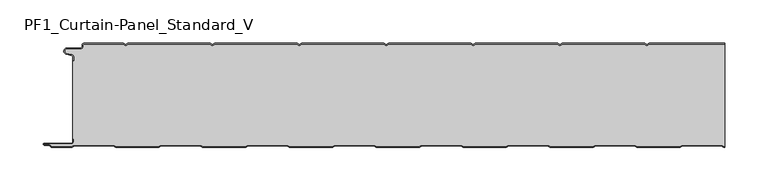
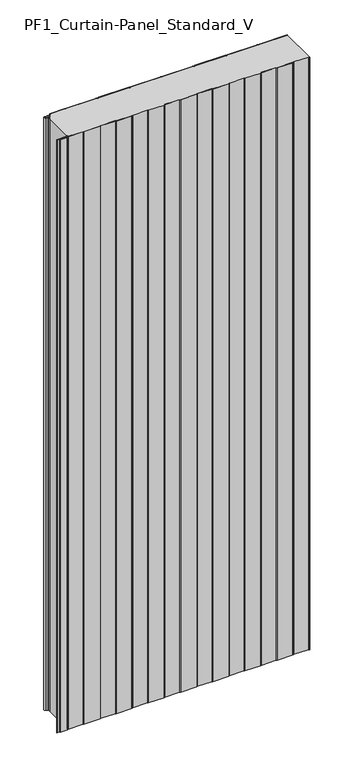
"""IFC4 building model written with IfcOpenShell, lengths in millimetres: plate geometry, PF1_Curtain-Panel_Standard_V."""

from ifc_helpers import new_model, si_unit, point, frame_2d, origin, origin_with_axes, place, context, project, spatial, polyline, circle_curve, trimmed, segment, composite_curve, outline, extrude, source, transform, mapped, element, save


def pf1_curtain_panel_standard_v_caaafc21(model_context):
    return source(origin(), model_context, "Body", "SweptSolid", [
        extrude(outline(composite_curve([segment(trimmed(circle_curve(frame_2d((-377.0119739, -15.878557)), 2.0), [point((-375.0119739, -15.878557))], [point((-376.5620718, -13.9298169))], True, "CARTESIAN"), True, "CONTINUOUS"), segment(polyline([(-376.5620718, -13.9298169), (-382.7217978, -12.507732)]), True, "CONTINUOUS"), segment(trimmed(circle_curve(frame_2d((-381.9119739, -9.0)), 3.6), [point((-382.7217978, -12.507732))], [point((-381.9119739, -5.4))], False, "CARTESIAN"), True, "CONTINUOUS"), segment(polyline([(-381.9119739, -5.4), (-366.4119739, -5.4)]), True, "CONTINUOUS"), segment(trimmed(circle_curve(frame_2d((-366.4119739, -3.4)), 2.0), [point((-366.4119739, -5.4))], [point((-364.4119739, -3.4))], True, "CARTESIAN"), True, "CONTINUOUS"), segment(polyline([(-364.4119739, -3.4), (-364.4119739, -2.0)]), True, "CONTINUOUS"), segment(trimmed(circle_curve(frame_2d((-362.4119739, -2.0)), 2.0), [point((-364.4119739, -2.0))], [point((-362.4119739, 0.0))], False, "CARTESIAN"), True, "CONTINUOUS"), segment(polyline([(-362.4119739, 0.0), (-317.1119734, 0.0), (-314.4119739, -1.5588455), (-311.7119745, 0.0), (-217.1119734, 0.0), (-214.4119739, -1.5588455), (-211.7119745, 0.0), (-117.1119734, 0.0), (-114.4119739, -1.5588455), (-111.7119745, 0.0), (-17.1119734, 0.0), (-14.4119739, -1.5588455), (-11.7119745, 0.0), (82.8880266, 0.0), (85.5880261, -1.5588455), (88.2880255, 0.0), (182.8880266, 0.0), (185.5880261, -1.5588455), (188.2880255, 0.0), (282.8880266, 0.0), (285.5880261, -1.5588455), (288.2880255, 0.0), (375.0119739, 0.0), (375.0119739, -0.8), (288.5023849, -0.8), (285.5880261, -2.482606), (282.6736672, -0.8), (188.5023849, -0.8), (185.5880261, -2.482606), (182.6736672, -0.8), (88.5023849, -0.8), (85.5880261, -2.482606), (82.6736672, -0.8), (-11.4976151, -0.8), (-14.4119739, -2.482606), (-17.3263328, -0.8), (-111.4976151, -0.8), (-114.4119739, -2.482606), (-117.3263328, -0.8), (-211.4976151, -0.8), (-214.4119739, -2.482606), (-217.3263328, -0.8), (-311.4976151, -0.8), (-314.4119739, -2.482606), (-317.3263328, -0.8), (-362.4119739, -0.8)]), True, "CONTINUOUS"), segment(trimmed(circle_curve(frame_2d((-362.4119739, -2.0)), 1.2), [point((-362.4119739, -0.8))], [point((-363.6119739, -2.0))], True, "CARTESIAN"), True, "CONTINUOUS"), segment(polyline([(-363.6119739, -2.0), (-363.6119739, -3.4)]), True, "CONTINUOUS"), segment(trimmed(circle_curve(frame_2d((-366.4119739, -3.4)), 2.8), [point((-363.6119739, -3.4))], [point((-366.4119739, -6.2))], False, "CARTESIAN"), True, "CONTINUOUS"), segment(polyline([(-366.4119739, -6.2), (-381.9119739, -6.2)]), True, "CONTINUOUS"), segment(trimmed(circle_curve(frame_2d((-381.9119739, -9.0)), 2.8), [point((-381.9119739, -6.2))], [point((-382.541837, -11.7282362))], True, "CARTESIAN"), True, "CONTINUOUS"), segment(polyline([(-382.541837, -11.7282362), (-376.3821109, -13.150321)]), True, "CONTINUOUS"), segment(trimmed(circle_curve(frame_2d((-377.0119739, -15.878557)), 2.8), [point((-376.3821109, -13.150321))], [point((-374.2119739, -15.878557))], False, "CARTESIAN"), True, "CONTINUOUS"), segment(polyline([(-374.2119739, -15.878557), (-374.2119739, -20.0), (-375.0119739, -20.0), (-375.0119739, -15.878557)]), True, "CONTINUOUS")], self_intersect=False)), origin_with_axes(), (0.0, 0.0, 1.0), 1945.7507136),
        extrude(outline(composite_curve([segment(polyline([(-374.2119739, -110.0), (-375.0119739, -110.0), (-375.0119739, -20.0), (-374.2119739, -20.0), (-374.2119739, -15.878557)]), True, "CONTINUOUS"), segment(trimmed(circle_curve(frame_2d((-377.0119739, -15.878557)), 2.8), [point((-374.2119739, -15.878557))], [point((-376.3821109, -13.1503208))], True, "CARTESIAN"), True, "CONTINUOUS"), segment(polyline([(-376.3821109, -13.1503208), (-382.5418369, -11.7282362)]), True, "CONTINUOUS"), segment(trimmed(circle_curve(frame_2d((-381.9119739, -9.0)), 2.8), [point((-382.5418369, -11.7282362))], [point((-381.9119739, -6.2))], False, "CARTESIAN"), True, "CONTINUOUS"), segment(polyline([(-381.9119739, -6.2), (-366.4119739, -6.2)]), True, "CONTINUOUS"), segment(trimmed(circle_curve(frame_2d((-366.4119739, -3.4)), 2.8), [point((-366.4119739, -6.2))], [point((-363.6119739, -3.4))], True, "CARTESIAN"), True, "CONTINUOUS"), segment(polyline([(-363.6119739, -3.4), (-363.6119739, -2.0)]), True, "CONTINUOUS"), segment(trimmed(circle_curve(frame_2d((-362.4119739, -2.0)), 1.2), [point((-363.6119739, -2.0))], [point((-362.4119739, -0.8))], False, "CARTESIAN"), True, "CONTINUOUS"), segment(polyline([(-362.4119739, -0.8), (-317.3263328, -0.8), (-314.4119739, -2.482606), (-311.4976151, -0.8), (-217.3263328, -0.8), (-214.4119739, -2.482606), (-211.4976151, -0.8), (-117.3263328, -0.8), (-114.4119739, -2.482606), (-111.4976151, -0.8), (-17.3263328, -0.8), (-14.4119739, -2.482606), (-11.4976151, -0.8), (82.6736672, -0.8), (85.5880261, -2.482606), (88.5023849, -0.8), (182.6736672, -0.8), (185.5880261, -2.482606), (188.5023849, -0.8), (282.6736672, -0.8), (285.5880261, -2.482606), (288.5023849, -0.8), (375.0119739, -0.8), (375.0119739, -119.2), (374.2032822, -119.2), (371.6052046, -117.7), (326.3764885, -117.7), (323.7784109, -119.2), (274.2032822, -119.2), (271.6052046, -117.7), (226.3764885, -117.7), (223.7784109, -119.2), (174.2032822, -119.2), (171.6052046, -117.7), (126.3764885, -117.7), (123.7784109, -119.2), (74.2032822, -119.2), (71.6052046, -117.7), (26.3764885, -117.7), (23.7784109, -119.2), (-25.7967178, -119.2), (-28.3947954, -117.7), (-73.6235115, -117.7), (-76.2215891, -119.2), (-125.7967178, -119.2), (-128.3947954, -117.7), (-173.6235115, -117.7), (-176.2215891, -119.2), (-225.7967178, -119.2), (-228.3947954, -117.7), (-273.6235115, -117.7), (-276.2215891, -119.2), (-325.7967178, -119.2), (-328.3947954, -117.7), (-373.6235115, -117.7), (-376.2215891, -119.2), (-399.4119739, -119.2)]), True, "CONTINUOUS"), segment(trimmed(circle_curve(frame_2d((-399.4119739, -118.4)), 0.8), [point((-399.4119739, -119.2))], [point((-400.2119739, -118.4))], False, "CARTESIAN"), True, "CONTINUOUS"), segment(trimmed(circle_curve(frame_2d((-401.9119739, -118.6133333)), 1.7133333), [point((-400.2119739, -118.4))], [point((-401.9119739, -116.9))], True, "CARTESIAN"), True, "CONTINUOUS"), segment(polyline([(-401.9119739, -116.9), (-407.8820051, -116.9)]), True, "CONTINUOUS"), segment(trimmed(circle_curve(frame_2d((-407.8820051, -116.6)), 0.3), [point((-407.8820051, -116.9))], [point((-407.8820051, -116.3))], False, "CARTESIAN"), True, "CONTINUOUS"), segment(polyline([(-407.8820051, -116.3), (-377.0119739, -116.3)]), True, "CONTINUOUS"), segment(trimmed(circle_curve(frame_2d((-377.0119739, -113.5)), 2.8), [point((-377.0119739, -116.3))], [point((-374.2119739, -113.5))], True, "CARTESIAN"), True, "CONTINUOUS"), segment(polyline([(-374.2119739, -113.5), (-374.2119739, -110.0)]), True, "CONTINUOUS")], self_intersect=False)), origin_with_axes(), (0.0, 0.0, 1.0), 1945.7507136),
        extrude(outline(composite_curve([segment(polyline([(-375.0119739, -110.0), (-374.2119739, -110.0), (-374.2119739, -113.5)]), True, "CONTINUOUS"), segment(trimmed(circle_curve(frame_2d((-377.0119739, -113.5)), 2.8), [point((-374.2119739, -113.5))], [point((-377.0119739, -116.3))], False, "CARTESIAN"), True, "CONTINUOUS"), segment(polyline([(-377.0119739, -116.3), (-407.8820051, -116.3)]), True, "CONTINUOUS"), segment(trimmed(circle_curve(frame_2d((-407.8820051, -116.6)), 0.3), [point((-407.8820051, -116.3))], [point((-407.8820051, -116.9))], True, "CARTESIAN"), True, "CONTINUOUS"), segment(polyline([(-407.8820051, -116.9), (-401.9119739, -116.9)]), True, "CONTINUOUS"), segment(trimmed(circle_curve(frame_2d((-401.9119739, -118.6133333)), 1.7133333), [point((-401.9119739, -116.9))], [point((-400.2119739, -118.4))], False, "CARTESIAN"), True, "CONTINUOUS"), segment(trimmed(circle_curve(frame_2d((-399.4119739, -118.4)), 0.8), [point((-400.2119739, -118.4))], [point((-399.4119739, -119.2))], True, "CARTESIAN"), True, "CONTINUOUS"), segment(polyline([(-399.4119739, -119.2), (-376.2215891, -119.2), (-373.6235115, -117.7), (-328.3947954, -117.7), (-325.7967178, -119.2), (-276.2215891, -119.2), (-273.6235115, -117.7), (-228.3947954, -117.7), (-225.7967178, -119.2), (-176.2215891, -119.2), (-173.6235115, -117.7), (-128.3947954, -117.7), (-125.7967178, -119.2), (-76.2215891, -119.2), (-73.6235115, -117.7), (-28.3947954, -117.7), (-25.7967178, -119.2), (23.7784109, -119.2), (26.3764885, -117.7), (71.6052046, -117.7), (74.2032822, -119.2), (123.7784109, -119.2), (126.3764885, -117.7), (171.6052046, -117.7), (174.2032822, -119.2), (223.7784109, -119.2), (226.3764885, -117.7), (271.6052046, -117.7), (274.2032822, -119.2), (323.7784109, -119.2), (326.3764885, -117.7), (371.6052046, -117.7), (374.2032822, -119.2), (375.0119739, -119.2), (375.0119739, -120.0), (373.988923, -120.0), (371.3908454, -118.5), (326.5908477, -118.5), (323.9927701, -120.0), (273.988923, -120.0), (271.3908454, -118.5), (226.5908477, -118.5), (223.9927701, -120.0), (173.988923, -120.0), (171.3908454, -118.5), (126.5908477, -118.5), (123.9927701, -120.0), (73.988923, -120.0), (71.3908454, -118.5), (26.5908477, -118.5), (23.9927701, -120.0), (-26.011077, -120.0), (-28.6091546, -118.5), (-73.4091523, -118.5), (-76.0072299, -120.0), (-126.011077, -120.0), (-128.6091546, -118.5), (-173.4091523, -118.5), (-176.0072299, -120.0), (-226.011077, -120.0), (-228.6091546, -118.5), (-273.4091523, -118.5), (-276.0072299, -120.0), (-326.011077, -120.0), (-328.6091546, -118.5), (-373.4091523, -118.5), (-376.0072299, -120.0), (-399.4119739, -120.0)]), True, "CONTINUOUS"), segment(trimmed(circle_curve(frame_2d((-399.4119739, -118.4)), 1.6), [point((-399.4119739, -120.0))], [point((-401.0119739, -118.4))], False, "CARTESIAN"), True, "CONTINUOUS"), segment(trimmed(circle_curve(frame_2d((-401.9119739, -118.4)), 0.9), [point((-401.0119739, -118.4))], [point((-401.9119739, -117.5))], True, "CARTESIAN"), True, "CONTINUOUS"), segment(polyline([(-401.9119739, -117.5), (-408.0119739, -117.5)]), True, "CONTINUOUS"), segment(trimmed(circle_curve(frame_2d((-408.0119739, -116.5)), 1.0), [point((-408.0119739, -117.5))], [point((-408.0119739, -115.5))], False, "CARTESIAN"), True, "CONTINUOUS"), segment(polyline([(-408.0119739, -115.5), (-377.0119739, -115.5)]), True, "CONTINUOUS"), segment(trimmed(circle_curve(frame_2d((-377.0119739, -113.5)), 2.0), [point((-377.0119739, -115.5))], [point((-375.0119739, -113.5))], True, "CARTESIAN"), True, "CONTINUOUS"), segment(polyline([(-375.0119739, -113.5), (-375.0119739, -110.0)]), True, "CONTINUOUS")], self_intersect=False)), origin_with_axes(), (0.0, 0.0, 1.0), 1945.7507136),
    ])


if __name__ == "__main__":
    model = new_model("IFC4")
    model_context = context("Model", 3, world=origin())
    ifc_project = project(units=[si_unit("LENGTHUNIT", "METRE", prefix="MILLI")], contexts=[model_context])
    site = spatial("IfcSite", under=ifc_project)
    building = spatial("IfcBuilding", under=site)
    placement = place(None, origin())
    pf1_curtain_panel_standard_v_shape = pf1_curtain_panel_standard_v_caaafc21(model_context)
    element("IfcPlate", 1, ObjectType="PF1_Curtain-Panel_Standard_V", at=placement, inside=building, context=model_context, shape_type="MappedRepresentation", body=[
        mapped(pf1_curtain_panel_standard_v_shape, transform((0.0, 0.0, 0.0), x_axis=(1.0, 0.0, 0.0), y_axis=(0.0, 1.0, 0.0), z_axis=(0.0, 0.0, 1.0))),
    ])
    save(model, "model.ifc")
